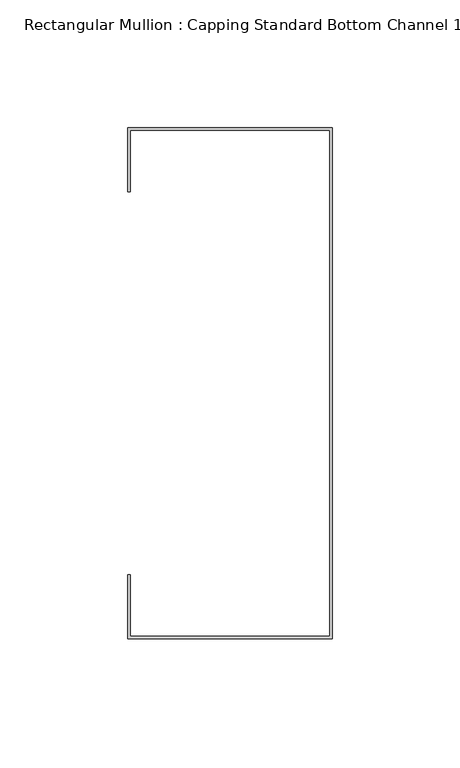
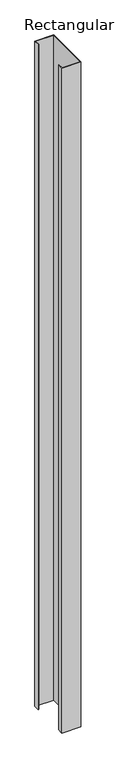
"""IFC4 building model written with IfcOpenShell, lengths in millimetres: member geometry, Rectangular Mullion : Capping Standard Bottom Channel 150."""

from ifc_helpers import new_model, si_unit, frame, origin, place, context, project, spatial, polyline, outline, extrude, source, transform, mapped, element, save


def rectangular_mullion_capping_standard_bottom_channel_150_7a7d0281(model_context):
    return source(origin(), model_context, "Body", "SweptSolid", [
        extrude(outline(polyline([(-0.95, 99.05), (-79.05, 99.05), (-79.05, 75.0), (-80.0, 75.0), (-80.0, 100.0), (0.0, 100.0), (0.0, -100.0), (-80.0, -100.0), (-80.0, -75.0), (-79.05, -75.0), (-79.05, -99.05), (-0.95, -99.05), (-0.95, 99.05)])), frame((0.0, 0.0, -3000.0), z_axis=(0.0, 0.0, 1.0), x_axis=(1.0, 0.0, 0.0)), (0.0, 0.0, 1.0), 3000.0),
    ])


if __name__ == "__main__":
    model = new_model("IFC4")
    model_context = context("Model", 3, world=origin())
    ifc_project = project(units=[si_unit("LENGTHUNIT", "METRE", prefix="MILLI")], contexts=[model_context])
    site = spatial("IfcSite", under=ifc_project)
    building = spatial("IfcBuilding", under=site)
    placement = place(None, origin())
    rectangular_mullion_capping_standard_bottom_channel_150_shape = rectangular_mullion_capping_standard_bottom_channel_150_7a7d0281(model_context)
    element("IfcMember", 1, ObjectType="Rectangular Mullion : Capping Standard Bottom Channel 150", at=placement, inside=building, context=model_context, shape_type="MappedRepresentation", body=[
        mapped(rectangular_mullion_capping_standard_bottom_channel_150_shape, transform((0.0, 0.0, 0.0), x_axis=(1.0, 0.0, 0.0), y_axis=(0.0, 1.0, 0.0), z_axis=(0.0, 0.0, 1.0))),
    ])
    save(model, "model.ifc")
